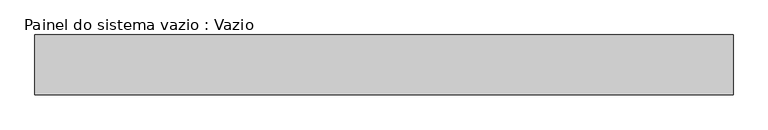
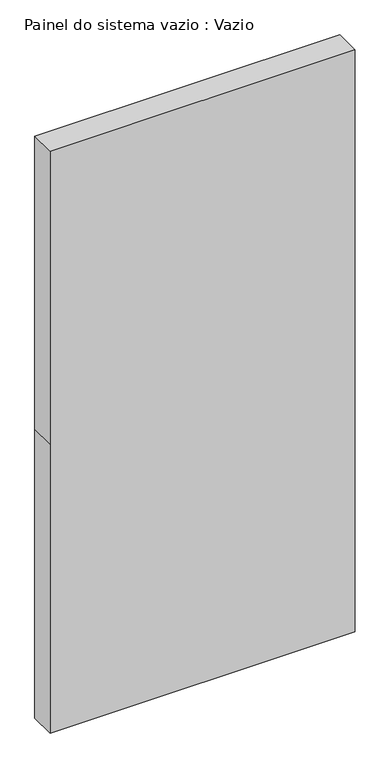
"""IFC4 building model written with IfcOpenShell, lengths in millimetres: plate geometry, Painel do sistema vazio : Vazio."""

from ifc_helpers import new_model, si_unit, frame, origin, place, context, project, spatial, polyline, outline, extrude, source, transform, mapped, element, save


def painel_do_sistema_vazio_vazio_f818bbf6(model_context):
    return source(origin(), model_context, "Body", "SweptSolid", [
        extrude(outline(polyline([(0.0, -582.5), (0.0, 582.5), (1165.0, 582.5), (2347.5, 582.5), (2347.5, -582.5), (1165.0, -582.5), (0.0, -582.5)])), frame((0.0, -50.0, 0.0), z_axis=(0.0, 1.0, 0.0), x_axis=(0.0, 0.0, 1.0)), (0.0, 0.0, 1.0), 100.0),
    ])


if __name__ == "__main__":
    model = new_model("IFC4")
    model_context = context("Model", 3, world=origin())
    ifc_project = project(units=[si_unit("LENGTHUNIT", "METRE", prefix="MILLI")], contexts=[model_context])
    site = spatial("IfcSite", under=ifc_project)
    building = spatial("IfcBuilding", under=site)
    placement = place(None, origin())
    painel_do_sistema_vazio_vazio_shape = painel_do_sistema_vazio_vazio_f818bbf6(model_context)
    element("IfcPlate", 1, ObjectType="Painel do sistema vazio : Vazio", at=placement, inside=building, context=model_context, shape_type="MappedRepresentation", body=[
        mapped(painel_do_sistema_vazio_vazio_shape, transform((0.0, 0.0, 0.0), x_axis=(1.0, 0.0, 0.0), y_axis=(0.0, 1.0, 0.0), z_axis=(0.0, 0.0, 1.0))),
    ])
    save(model, "model.ifc")
